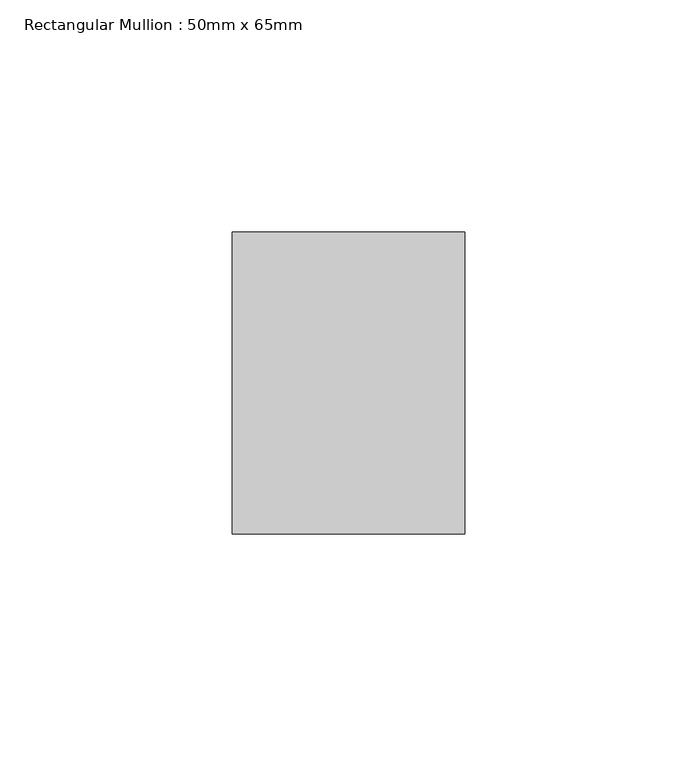
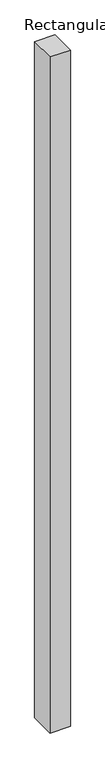
"""IFC4 building model written with IfcOpenShell, lengths in millimetres: member geometry, Rectangular Mullion : 50mm x 65mm."""

from ifc_helpers import new_model, si_unit, frame, origin, place, context, project, spatial, polyline, outline, extrude, source, transform, mapped, element, save


def rectangular_mullion_50mm_x_65mm_74d157e4(model_context):
    return source(origin(), model_context, "Body", "SweptSolid", [
        extrude(outline(polyline([(25.0, 32.5), (25.0, -32.5), (-25.0, -32.5), (-25.0, 32.5), (25.0, 32.5)])), frame((0.0, 0.0, -1754.4948267), z_axis=(0.0, 0.0, 1.0), x_axis=(1.0, 0.0, 0.0)), (0.0, 0.0, 1.0), 1754.4948267),
    ])


if __name__ == "__main__":
    model = new_model("IFC4")
    model_context = context("Model", 3, world=origin())
    ifc_project = project(units=[si_unit("LENGTHUNIT", "METRE", prefix="MILLI")], contexts=[model_context])
    site = spatial("IfcSite", under=ifc_project)
    building = spatial("IfcBuilding", under=site)
    placement = place(None, origin())
    rectangular_mullion_50mm_x_65mm_shape = rectangular_mullion_50mm_x_65mm_74d157e4(model_context)
    element("IfcMember", 1, ObjectType="Rectangular Mullion : 50mm x 65mm", at=placement, inside=building, context=model_context, shape_type="MappedRepresentation", body=[
        mapped(rectangular_mullion_50mm_x_65mm_shape, transform((0.0, 0.0, 0.0), x_axis=(1.0, 0.0, 0.0), y_axis=(0.0, 1.0, 0.0), z_axis=(0.0, 0.0, 1.0))),
    ])
    save(model, "model.ifc")
